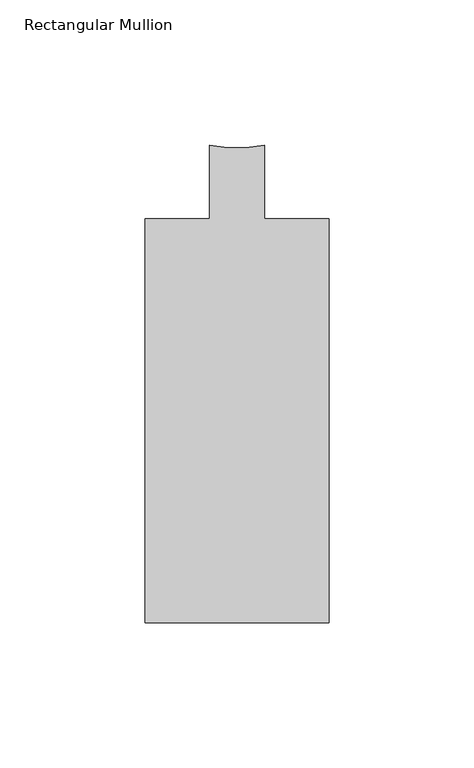
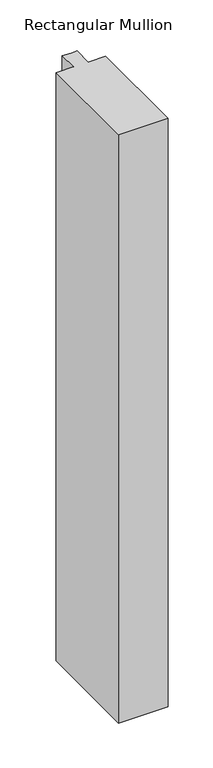
"""IFC4 building model written with IfcOpenShell, lengths in millimetres: member geometry, Rectangular Mullion."""

from ifc_helpers import new_model, si_unit, point, frame, frame_2d, origin, place, context, project, spatial, polyline, circle_curve, trimmed, segment, composite_curve, outline, extrude, source, transform, mapped, element, save


def rectangular_mullion_8c220c95(model_context):
    return source(origin(), model_context, "Body", "SweptSolid", [
        extrude(outline(composite_curve([segment(polyline([(31.7501132, -164.6039063), (-31.75, -164.6039062), (-31.75, -25.4119063), (-9.5251132, -25.4119063), (-9.5251132, -0.0119063)]), True, "CONTINUOUS"), segment(trimmed(circle_curve(frame_2d((0.0, 40.683678)), 41.7954347), [point((-9.5251132, -0.0119063))], [point((9.525, -0.0119327))], True, "CARTESIAN"), True, "CONTINUOUS"), segment(polyline([(9.525, -0.0119327), (9.525, -25.4119063), (31.7501132, -25.4119063), (31.7501132, -164.6039063)]), True, "CONTINUOUS")], self_intersect=False)), frame((0.0, 0.0, -799.0534596), z_axis=(0.0, 0.0, 1.0), x_axis=(1.0, 0.0, 0.0)), (0.0, 0.0, 1.0), 799.0534596),
    ])


if __name__ == "__main__":
    model = new_model("IFC4")
    model_context = context("Model", 3, world=origin())
    ifc_project = project(units=[si_unit("LENGTHUNIT", "METRE", prefix="MILLI")], contexts=[model_context])
    site = spatial("IfcSite", under=ifc_project)
    building = spatial("IfcBuilding", under=site)
    placement = place(None, origin())
    rectangular_mullion_shape = rectangular_mullion_8c220c95(model_context)
    element("IfcMember", 1, ObjectType="Rectangular Mullion", at=placement, inside=building, context=model_context, shape_type="MappedRepresentation", body=[
        mapped(rectangular_mullion_shape, transform((0.0, 0.0, 0.0), x_axis=(1.0, 0.0, 0.0), y_axis=(0.0, 1.0, 0.0), z_axis=(0.0, 0.0, 1.0))),
    ])
    save(model, "model.ifc")
